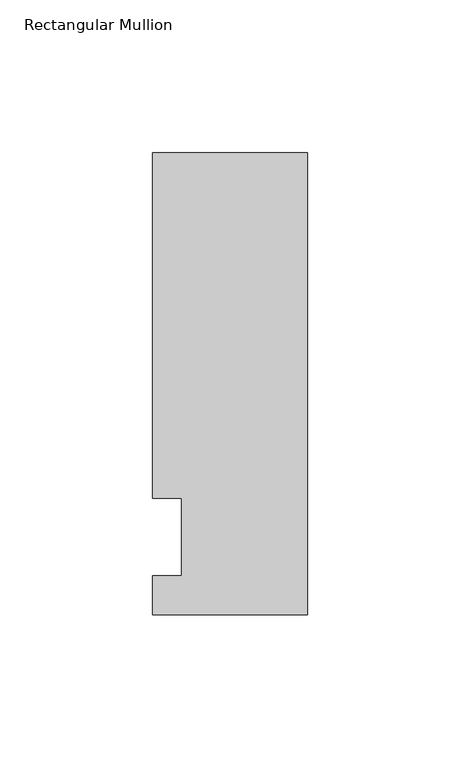
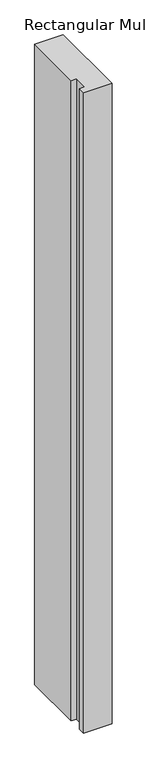
"""IFC4 building model written with IfcOpenShell, lengths in millimetres: member geometry, Rectangular Mullion."""

from ifc_helpers import new_model, si_unit, frame, origin, place, context, project, spatial, polyline, outline, extrude, source, transform, mapped, element, save


def rectangular_mullion_6a4ecfb5(model_context):
    return source(origin(), model_context, "Body", "SweptSolid", [
        extrude(outline(polyline([(-50.8, -25.4508252), (-50.8, -12.7), (-41.275, -12.7), (-41.275, 12.7), (-50.8, 12.7), (-50.8, 125.8533), (0.0, 125.8533), (0.0, -25.4508252), (-50.8, -25.4508252)])), frame((0.0, 0.0, -1210.7333333), z_axis=(0.0, 0.0, 1.0), x_axis=(1.0, 0.0, 0.0)), (0.0, 0.0, 1.0), 1210.7333333),
    ])


if __name__ == "__main__":
    model = new_model("IFC4")
    model_context = context("Model", 3, world=origin())
    ifc_project = project(units=[si_unit("LENGTHUNIT", "METRE", prefix="MILLI")], contexts=[model_context])
    site = spatial("IfcSite", under=ifc_project)
    building = spatial("IfcBuilding", under=site)
    placement = place(None, origin())
    rectangular_mullion_shape = rectangular_mullion_6a4ecfb5(model_context)
    element("IfcMember", 1, ObjectType="Rectangular Mullion", at=placement, inside=building, context=model_context, shape_type="MappedRepresentation", body=[
        mapped(rectangular_mullion_shape, transform((0.0, 0.0, 0.0), x_axis=(1.0, 0.0, 0.0), y_axis=(0.0, 1.0, 0.0), z_axis=(0.0, 0.0, 1.0))),
    ])
    save(model, "model.ifc")
